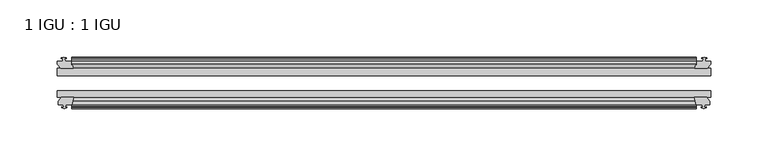
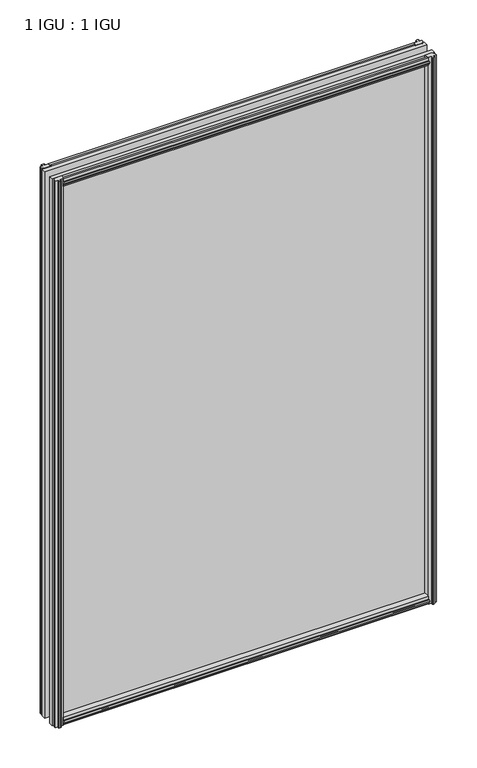
"""IFC4 building model written with IfcOpenShell, lengths in millimetres: plate geometry, 1 IGU : 1 IGU."""

from ifc_helpers import new_model, si_unit, frame, origin, place, context, project, spatial, polyline, outline, extrude, source, transform, mapped, element, save


def plate_1_igu_1_igu_987fe166(model_context):
    return source(origin(), model_context, "Body", "SweptSolid", [
        extrude(outline(polyline([(-25.8960937, 1.1970181), (-19.5460937, -0.5207), (-19.5460937, -5.7277), (-17.1658968, -6.1087), (-17.62583, -4.6931709), (-16.8246158, -4.6931709), (-16.1170937, -6.8707), (-16.8246158, -9.0482291), (-17.62583, -9.0482291), (-17.1658968, -7.6327), (-19.5460937, -8.0137), (-19.5460937, -12.4587), (-22.4924937, -12.4587), (-25.8960937, -9.6243578), (-25.8960937, 1.1970181)])), frame((-273.0499997, 0.0, 0.0), z_axis=(1.0, 0.0, 0.0), x_axis=(0.0, 1.0, 0.0)), (0.0, 0.0, 1.0), 546.0999994),
        extrude(outline(polyline([(-51.2960937, 1.7177181), (-51.2960937, -9.1036578), (-54.6996937, -11.938), (-57.6460937, -11.938), (-57.6460937, -7.493), (-60.0262907, -7.112), (-59.5663575, -8.5275291), (-60.3675717, -8.5275291), (-61.0750937, -6.35), (-60.3675717, -4.1724709), (-59.5663575, -4.1724709), (-60.0262907, -5.588), (-57.6460937, -5.207), (-57.6460937, 0.0), (-51.2960937, 1.7177181)])), frame((-273.0499997, 0.0, 0.0), z_axis=(1.0, 0.0, 0.0), x_axis=(0.0, 1.0, 0.0)), (0.0, 0.0, 1.0), 546.0999994),
        extrude(outline(polyline([(-57.6460937, 850.138), (-54.6996937, 850.138), (-51.2960937, 847.3036578), (-51.2960937, 836.4822819), (-57.6460937, 838.2), (-57.6460937, 843.407), (-60.0262907, 843.788), (-59.5663575, 842.3724709), (-60.3675717, 842.3724709), (-61.0750937, 844.55), (-60.3675717, 846.727529), (-59.5663575, 846.727529), (-60.0262907, 845.312), (-57.6460937, 845.693), (-57.6460937, 850.138)])), frame((-273.0499997, 0.0, 0.0), z_axis=(1.0, 0.0, 0.0), x_axis=(0.0, 1.0, 0.0)), (0.0, 0.0, 1.0), 546.0999994),
        extrude(outline(polyline([(-19.5460937, 850.6587), (-19.5460937, 846.2137), (-17.1658968, 845.8327), (-17.62583, 847.248229), (-16.8246158, 847.248229), (-16.1170937, 845.0707), (-16.8246158, 842.8931709), (-17.62583, 842.8931709), (-17.1658968, 844.3087), (-19.5460937, 843.9277), (-19.5460937, 838.7207), (-25.8960937, 837.0029819), (-25.8960937, 847.8243578), (-22.4924937, 850.6587), (-19.5460937, 850.6587)])), frame((-273.0499997, 0.0, 0.0), z_axis=(1.0, 0.0, 0.0), x_axis=(0.0, 1.0, 0.0)), (0.0, 0.0, 1.0), 546.0999994),
        extrude(outline(polyline([(-279.9206997, -16.1170937), (-277.7431707, -16.8246158), (-277.7431707, -17.62583), (-279.1586997, -17.1658968), (-278.7776997, -19.5460937), (-273.5706997, -19.5460937), (-271.8529816, -25.8960937), (-282.6743575, -25.8960937), (-285.5086997, -22.4924937), (-285.5086997, -19.5460937), (-281.0636997, -19.5460937), (-280.6826997, -17.1658968), (-282.0982288, -17.62583), (-282.0982288, -16.8246158), (-279.9206997, -16.1170937)])), frame((0.0, 0.0, -12.7), z_axis=(0.0, 0.0, 1.0), x_axis=(1.0, 0.0, 0.0)), (0.0, 0.0, 1.0), 863.6),
        extrude(outline(polyline([(-279.3999997, -61.0750938), (-281.5775288, -60.3675717), (-281.5775288, -59.5663575), (-280.1619997, -60.0262907), (-280.5429997, -57.6460938), (-284.9879997, -57.6460938), (-284.9879997, -54.6996938), (-282.1536575, -51.2960937), (-271.3322816, -51.2960937), (-273.0499997, -57.6460938), (-278.2569997, -57.6460938), (-278.6379997, -60.0262907), (-277.2224707, -59.5663575), (-277.2224707, -60.3675717), (-279.3999997, -61.0750938)])), frame((0.0, 0.0, -12.7), z_axis=(0.0, 0.0, 1.0), x_axis=(1.0, 0.0, 0.0)), (0.0, 0.0, 1.0), 863.6),
        extrude(outline(polyline([(278.7776997, -19.5460937), (279.1586997, -17.1658968), (277.7431707, -17.62583), (277.7431707, -16.8246158), (279.9206997, -16.1170937), (282.0982288, -16.8246158), (282.0982288, -17.62583), (280.6826997, -17.1658968), (281.0636997, -19.5460937), (285.5086997, -19.5460937), (285.5086997, -22.4924937), (282.6743575, -25.8960937), (271.8529816, -25.8960937), (273.5706997, -19.5460937), (278.7776997, -19.5460937)])), frame((0.0, 0.0, -12.7), z_axis=(0.0, 0.0, 1.0), x_axis=(1.0, 0.0, 0.0)), (0.0, 0.0, 1.0), 863.6),
        extrude(outline(polyline([(282.1536575, -51.2960937), (284.9879997, -54.6996937), (284.9879997, -57.6460937), (280.5429997, -57.6460937), (280.1619997, -60.0262907), (281.5775288, -59.5663575), (281.5775288, -60.3675717), (279.3999997, -61.0750937), (277.2224707, -60.3675717), (277.2224707, -59.5663575), (278.6379997, -60.0262907), (278.2569997, -57.6460937), (273.0499997, -57.6460937), (271.3322816, -51.2960937), (282.1536575, -51.2960937)])), frame((0.0, 0.0, -12.7), z_axis=(0.0, 0.0, 1.0), x_axis=(1.0, 0.0, 0.0)), (0.0, 0.0, 1.0), 863.6),
        extrude(outline(polyline([(-285.7499997, -25.8960937), (285.7499997, -25.8960937), (285.7499997, -32.2460937), (-285.7499997, -32.2460937), (-285.7499997, -25.8960937)])), frame((0.0, 0.0, -12.7), z_axis=(0.0, 0.0, 1.0), x_axis=(1.0, 0.0, 0.0)), (0.0, 0.0, 1.0), 863.6),
        extrude(outline(polyline([(285.7499997, -45.2686737), (285.7499997, -51.2960937), (-285.7499997, -51.2960937), (-285.7499997, -45.2686737), (285.7499997, -45.2686737)])), frame((0.0, 0.0, -12.7), z_axis=(0.0, 0.0, 1.0), x_axis=(1.0, 0.0, 0.0)), (0.0, 0.0, 1.0), 863.6),
    ])


if __name__ == "__main__":
    model = new_model("IFC4")
    model_context = context("Model", 3, world=origin())
    ifc_project = project(units=[si_unit("LENGTHUNIT", "METRE", prefix="MILLI")], contexts=[model_context])
    site = spatial("IfcSite", under=ifc_project)
    building = spatial("IfcBuilding", under=site)
    placement = place(None, origin())
    plate_1_igu_1_igu_shape = plate_1_igu_1_igu_987fe166(model_context)
    element("IfcPlate", 1, ObjectType="1 IGU : 1 IGU", at=placement, inside=building, context=model_context, shape_type="MappedRepresentation", body=[
        mapped(plate_1_igu_1_igu_shape, transform((0.0, 0.0, 0.0), x_axis=(1.0, 0.0, 0.0), y_axis=(0.0, 1.0, 0.0), z_axis=(0.0, 0.0, 1.0))),
    ])
    save(model, "model.ifc")
